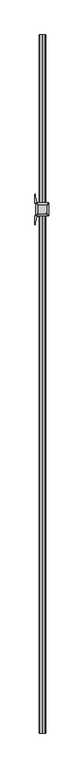
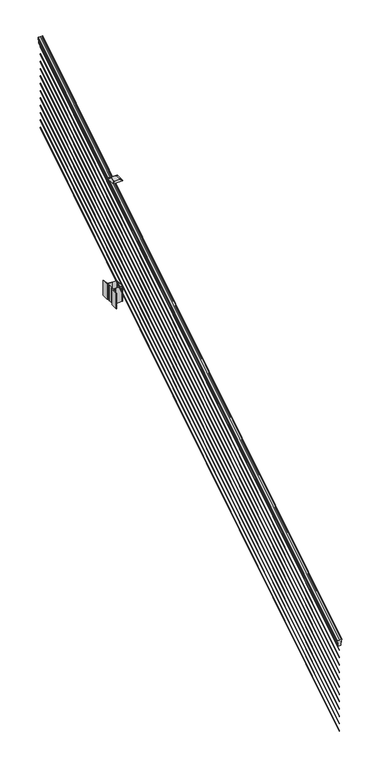
"""IFC4 building model written with IfcOpenShell, lengths in millimetres: railing geometry."""

from ifc_helpers import new_model, si_unit, point, frame, frame_2d, origin, place, context, project, spatial, polyline, circle_curve, ellipse_curve, trimmed, segment, composite_curve, outline, extrude, source, transform, mapped, element, save
from ifc_brep_helpers import plane_surface, cylinder_surface, revolved_surface, extruded_surface, advanced_brep


def railing_191800ac(model_context):
    return source(origin(), model_context, "Body", "SolidModel", [
        advanced_brep(
        [(6977.4704765, -103155.6628453, 1133.2070492), (6977.4704765, -103155.6628453, 1135.4335658), (6978.6006628, -103155.6628453, 1137.2758543), (6978.6006628, -103155.6628453, 1145.7876358), (6977.9514064, -103155.6628453, 1148.6572588), (6980.4514064, -103155.6628453, 1153.7635509), (6981.8607489, -103155.6628453, 1155.7442021), (6982.2626479, -103155.6628453, 1157.0469579), (6982.2626478, -103155.6628453, 1158.6274846), (6980.7092005, -103155.6628453, 1160.4593836), (6960.0376478, -103155.6628453, 1160.4593836), (6939.366095, -103155.6628453, 1160.4593836), (6937.8126478, -103155.6628453, 1158.6274846), (6937.8126478, -103155.6628453, 1157.0469579), (6938.2145467, -103155.6628453, 1155.7442021), (6939.6238891, -103155.6628453, 1153.7635509), (6942.1238891, -103155.6628453, 1148.6572588), (6941.4746327, -103155.6628453, 1145.7876358), (6941.4746327, -103155.6628453, 1137.2758543), (6942.604819, -103155.6628453, 1135.4335658), (6942.604819, -103155.6628453, 1133.2070492), (6945.1786478, -103155.6628453, 1133.2070492), (6945.1786478, -103155.6628453, 1120.825537), (6944.1626478, -103155.6628453, 1119.6274214), (6944.1626478, -103155.6628453, 1104.9), (6975.9126478, -103155.6628453, 1104.9), (6975.9126478, -103155.6628453, 1119.441318), (6974.8966478, -103155.6628453, 1120.6394336), (6974.8966478, -103155.6628453, 1133.2070492), (6977.4704765, -98278.8628453, 4181.2070492), (6974.8966478, -98278.8628453, 4181.2070492), (6974.8966478, -98278.8628453, 4168.6394336), (6975.9126478, -98278.8628453, 4167.441318), (6975.9126478, -98278.8628453, 4152.9), (6944.1626478, -98278.8628453, 4152.9), (6944.1626478, -98278.8628453, 4167.6274214), (6945.1786478, -98278.8628453, 4168.825537), (6945.1786478, -98278.8628453, 4181.2070492), (6942.604819, -98278.8628453, 4181.2070492), (6942.604819, -98278.8628453, 4183.4335658), (6941.4746327, -98278.8628453, 4185.2758543), (6941.4746327, -98278.8628453, 4193.7876358), (6942.1238891, -98278.8628453, 4196.6572588), (6939.6238891, -98278.8628453, 4201.7635509), (6938.2145467, -98278.8628453, 4203.7442021), (6937.8126477, -98278.8628453, 4205.0469579), (6937.8126478, -98278.8628453, 4206.6274846), (6939.366095, -98278.8628453, 4208.4593836), (6960.0376478, -98278.8628453, 4208.4593836), (6980.7092005, -98278.8628453, 4208.4593836), (6982.2626478, -98278.8628453, 4206.6274846), (6982.2626478, -98278.8628453, 4205.0469579), (6981.8607489, -98278.8628453, 4203.7442021), (6980.4514064, -98278.8628453, 4201.7635509), (6977.9514064, -98278.8628453, 4196.6572588), (6978.6006628, -98278.8628453, 4193.7876358), (6978.6006628, -98278.8628453, 4185.2758543), (6977.4704765, -98278.8628453, 4183.4335658)],
        [
            (0, 1),
            (1, 2, ellipse_curve(frame((6971.1557232, -103155.6628453, 1142.2239405), z_axis=(0.0, -1.0, 0.0), x_axis=(0.0, 0.0, -1.0)), 10.0777926, 8.545951)),
            (2, 3, ellipse_curve(frame((6971.5927862, -103155.6628453, 1141.5317451), z_axis=(0.0, -1.0, 0.0), x_axis=(0.0, 0.0, -1.0)), 9.2955186, 7.882584)),
            (3, 4, ellipse_curve(frame((6982.1061103, -103155.6628453, 1148.4275077), z_axis=(0.0, 1.0, 0.0), x_axis=(0.0, 0.0, 1.0)), 4.9048088, 4.1592695)),
            (4, 5, ellipse_curve(frame((6983.3934169, -103155.6628453, 1148.3563208), z_axis=(0.0, 1.0, 0.0), x_axis=(0.0, 0.0, 1.0)), 6.4245301, 5.4479907)),
            (5, 6, ellipse_curve(frame((6982.1602584, -103155.6628453, 1153.7602333), z_axis=(0.0, 1.0, 0.0), x_axis=(0.0, 0.0, 1.0)), 2.0151625, 1.7088543)),
            (6, 7, ellipse_curve(frame((6980.5433583, -103155.6628453, 1157.0469579), z_axis=(0.0, -1.0, 0.0), x_axis=(0.0, 0.0, -1.0)), 2.0274681, 1.7192895)),
            (7, 8),
            (8, 9, ellipse_curve(frame((6980.7092005, -103155.6628453, 1158.6274846), z_axis=(0.0, -1.0, 0.0), x_axis=(0.0, 0.0, -1.0)), 1.831899, 1.5534472)),
            (9, 10),
            (10, 11),
            (11, 12, ellipse_curve(frame((6939.366095, -103155.6628453, 1158.6274846), z_axis=(0.0, -1.0, 0.0), x_axis=(0.0, 0.0, -1.0)), 1.831899, 1.5534472)),
            (12, 13),
            (13, 14, ellipse_curve(frame((6939.5319372, -103155.6628453, 1157.0469579), z_axis=(0.0, -1.0, 0.0), x_axis=(0.0, 0.0, -1.0)), 2.0274681, 1.7192895)),
            (14, 15, ellipse_curve(frame((6937.9150371, -103155.6628453, 1153.7602333), z_axis=(0.0, 1.0, 0.0), x_axis=(0.0, 0.0, 1.0)), 2.0151625, 1.7088543)),
            (15, 16, ellipse_curve(frame((6936.6818787, -103155.6628453, 1148.3563208), z_axis=(0.0, 1.0, 0.0), x_axis=(0.0, 0.0, 1.0)), 6.4245301, 5.4479907)),
            (16, 17, ellipse_curve(frame((6937.9691852, -103155.6628453, 1148.4275077), z_axis=(0.0, 1.0, 0.0), x_axis=(0.0, 0.0, 1.0)), 4.9048088, 4.1592695)),
            (17, 18, ellipse_curve(frame((6948.4825093, -103155.6628453, 1141.5317451), z_axis=(0.0, -1.0, 0.0), x_axis=(0.0, 0.0, -1.0)), 9.2955186, 7.882584)),
            (18, 19, ellipse_curve(frame((6948.9195723, -103155.6628453, 1142.2239405), z_axis=(0.0, -1.0, 0.0), x_axis=(0.0, 0.0, -1.0)), 10.0777926, 8.545951)),
            (19, 20),
            (20, 21, ellipse_curve(frame((6943.8917334, -103155.6628453, 1133.2070492), z_axis=(0.0, -1.0, 0.0), x_axis=(0.0, 0.0, -1.0)), 1.5175907, 1.2869144)),
            (21, 22),
            (22, 23),
            (23, 24),
            (24, 25),
            (25, 26),
            (26, 27),
            (27, 28),
            (28, 0, ellipse_curve(frame((6976.1835621, -103155.6628453, 1133.2070492), z_axis=(0.0, -1.0, 0.0), x_axis=(0.0, 0.0, -1.0)), 1.5175907, 1.2869144)),
            (29, 30, ellipse_curve(frame((6976.1835621, -98278.8628453, 4181.2070492), z_axis=(0.0, 1.0, 0.0), x_axis=(0.0, 0.0, -1.0)), 1.5175907, 1.2869144)),
            (30, 31),
            (31, 32),
            (32, 33),
            (33, 34),
            (34, 35),
            (35, 36),
            (36, 37),
            (37, 38, ellipse_curve(frame((6943.8917334, -98278.8628453, 4181.2070492), z_axis=(0.0, 1.0, 0.0), x_axis=(0.0, 0.0, -1.0)), 1.5175907, 1.2869144)),
            (38, 39),
            (39, 40, ellipse_curve(frame((6948.9195723, -98278.8628453, 4190.2239405), z_axis=(0.0, 1.0, 0.0), x_axis=(0.0, 0.0, -1.0)), 10.0777926, 8.545951)),
            (40, 41, ellipse_curve(frame((6948.4825093, -98278.8628453, 4189.5317451), z_axis=(0.0, 1.0, 0.0), x_axis=(0.0, 0.0, -1.0)), 9.2955186, 7.882584)),
            (41, 42, ellipse_curve(frame((6937.9691852, -98278.8628453, 4196.4275077), z_axis=(0.0, -1.0, 0.0), x_axis=(0.0, 0.0, 1.0)), 4.9048088, 4.1592695)),
            (42, 43, ellipse_curve(frame((6936.6818787, -98278.8628453, 4196.3563208), z_axis=(0.0, -1.0, 0.0), x_axis=(0.0, 0.0, 1.0)), 6.4245301, 5.4479907)),
            (43, 44, ellipse_curve(frame((6937.9150371, -98278.8628453, 4201.7602333), z_axis=(0.0, -1.0, 0.0), x_axis=(0.0, 0.0, 1.0)), 2.0151625, 1.7088543)),
            (44, 45, ellipse_curve(frame((6939.5319372, -98278.8628453, 4205.0469579), z_axis=(0.0, 1.0, 0.0), x_axis=(0.0, 0.0, -1.0)), 2.0274681, 1.7192895)),
            (45, 46),
            (46, 47, ellipse_curve(frame((6939.366095, -98278.8628453, 4206.6274846), z_axis=(0.0, 1.0, 0.0), x_axis=(0.0, 0.0, -1.0)), 1.831899, 1.5534472)),
            (47, 48),
            (48, 49),
            (49, 50, ellipse_curve(frame((6980.7092005, -98278.8628453, 4206.6274846), z_axis=(0.0, 1.0, 0.0), x_axis=(0.0, 0.0, -1.0)), 1.831899, 1.5534472)),
            (50, 51),
            (51, 52, ellipse_curve(frame((6980.5433583, -98278.8628453, 4205.0469579), z_axis=(0.0, 1.0, 0.0), x_axis=(0.0, 0.0, -1.0)), 2.0274681, 1.7192895)),
            (52, 53, ellipse_curve(frame((6982.1602584, -98278.8628453, 4201.7602333), z_axis=(0.0, -1.0, 0.0), x_axis=(0.0, 0.0, 1.0)), 2.0151625, 1.7088543)),
            (53, 54, ellipse_curve(frame((6983.3934169, -98278.8628453, 4196.3563208), z_axis=(0.0, -1.0, 0.0), x_axis=(0.0, 0.0, 1.0)), 6.4245301, 5.4479907)),
            (54, 55, ellipse_curve(frame((6982.1061103, -98278.8628453, 4196.4275077), z_axis=(0.0, -1.0, 0.0), x_axis=(0.0, 0.0, 1.0)), 4.9048088, 4.1592695)),
            (55, 56, ellipse_curve(frame((6971.5927862, -98278.8628453, 4189.5317451), z_axis=(0.0, 1.0, 0.0), x_axis=(0.0, 0.0, -1.0)), 9.2955186, 7.882584)),
            (56, 57, ellipse_curve(frame((6971.1557232, -98278.8628453, 4190.2239405), z_axis=(0.0, 1.0, 0.0), x_axis=(0.0, 0.0, -1.0)), 10.0777926, 8.545951)),
            (57, 29),
            (28, 30),
            (29, 0),
            (27, 31),
            (26, 32),
            (25, 33),
            (24, 34),
            (23, 35),
            (22, 36),
            (21, 37),
            (20, 38),
            (19, 39),
            (18, 40),
            (17, 41),
            (16, 42),
            (15, 43),
            (14, 44),
            (13, 45),
            (12, 46),
            (11, 47),
            (10, 48),
            (9, 49),
            (8, 50),
            (7, 51),
            (6, 52),
            (5, 53),
            (4, 54),
            (3, 55),
            (2, 56),
            (1, 57),
        ],
        [
            plane_surface(frame((6960.0376478, -103155.6628453, 1104.9), z_axis=(0.0, -1.0, 0.0), x_axis=(0.0, 0.0, 1.0))),
            plane_surface(frame((6960.0376478, -98278.8628453, 4152.9), z_axis=(0.0, 1.0, 0.0), x_axis=(0.0, 0.0, 1.0))),
            cylinder_surface(frame((6976.1835621, -103168.3851146, 1125.2556309), z_axis=(0.0, -0.8479983040051253, -0.5299989400031204), x_axis=(-1.0, 0.0, 0.0)), 1.2869144),
            plane_surface(frame((6974.8966478, -103155.6628453, 1120.6394336), z_axis=(1.0000000000000002, 0.0, 0.0), x_axis=(0.0, 0.8479983040051253, 0.5299989400031204))),
            plane_surface(frame((6975.9126478, -103155.6628453, 1119.441318), z_axis=(0.7071067811865389, -0.374765844497894, 0.5996253511967226), x_axis=(0.0, 0.8479983040051253, 0.5299989400031204))),
            plane_surface(frame((6975.9126478, -103155.6628453, 1104.9), z_axis=(1.0, 0.0, 0.0), x_axis=(0.0, 0.8479983040051252, 0.5299989400031204))),
            plane_surface(frame((6944.1626478, -103155.6628453, 1104.9), z_axis=(0.0, 0.5299989400031204, -0.8479983040051252), x_axis=(0.0, 0.8479983040051252, 0.5299989400031204))),
            plane_surface(frame((6944.1626478, -103155.6628453, 1119.6274214), z_axis=(-1.0000000000000002, 0.0, 0.0), x_axis=(0.0, 0.8479983040051253, 0.5299989400031204))),
            plane_surface(frame((6945.1786478, -103155.6628453, 1120.825537), z_axis=(-0.7071067811865437, -0.37476584449788986, 0.5996253511967191), x_axis=(0.0, 0.8479983040051252, 0.5299989400031204))),
            plane_surface(frame((6945.1786478, -103155.6628453, 1133.2070492), z_axis=(-1.0, 0.0, 0.0), x_axis=(0.0, 0.8479983040051252, 0.5299989400031204))),
            cylinder_surface(frame((6943.8917334, -103168.3851146, 1125.2556309), z_axis=(0.0, -0.8479983040051253, -0.5299989400031204), x_axis=(1.0, 0.0, 0.0)), 1.2869144),
            plane_surface(frame((6942.604819, -103155.6628453, 1135.4335658), z_axis=(-1.0, 0.0, 0.0), x_axis=(0.0, 0.8479983040051252, 0.5299989400031204))),
            cylinder_surface(frame((6948.9195723, -103172.43765, 1131.7396876), z_axis=(0.0, -0.8479983040051253, -0.5299989400031204), x_axis=(1.0, 0.0, 0.0)), 8.545951),
            cylinder_surface(frame((6948.4825093, -103172.1265509, 1131.241929), z_axis=(0.0, -0.8479983040051253, -0.5299989400031204), x_axis=(1.0, 0.0, 0.0)), 7.882584),
            revolved_surface(polyline([(6942.1284547, -98276.65843685035, 4197.805262980558), (6942.1284547, -103157.86725374944, 1147.0497524191019)]), (6937.9691852, -103175.2257701, 1136.2006797), (0.0, 0.8479983040051253, 0.5299989400031204)),
            revolved_surface(polyline([(6942.129869400001, -98275.97541603574, 4198.160964077185), (6942.129869400001, -103158.5502745528, 1146.551677504493)]), (6936.6818787, -103175.193776, 1136.1494891), (0.0, 0.8479983040051253, 0.5299989400031204)),
            revolved_surface(polyline([(6939.6238914, -98277.95715429979, 4202.326290199658), (6939.6238914, -103156.56853632248, 1153.1941764359544)]), (6937.9150371, -103177.6225007, 1140.0354487), (0.0, 0.8479983040051253, 0.5299989400031204)),
            cylinder_surface(frame((6939.5319372, -103179.0996803, 1142.398936), z_axis=(0.0, -0.8479983040051253, -0.5299989400031204), x_axis=(1.0, 0.0, 0.0)), 1.7192895),
            plane_surface(frame((6937.8126478, -103155.6628453, 1158.6274846), z_axis=(-1.0, 0.0, 0.0), x_axis=(0.0, 0.8479983040051252, 0.5299989400031204))),
            cylinder_surface(frame((6939.366095, -103179.8100294, 1143.5354945), z_axis=(0.0, -0.8479983040051253, -0.5299989400031204), x_axis=(1.0, 0.0, 0.0)), 1.5534472),
            plane_surface(frame((6960.0376478, -103155.6628453, 1160.4593836), z_axis=(0.0, -0.5299989400031204, 0.8479983040051252), x_axis=(0.0, 0.8479983040051252, 0.5299989400031204))),
            plane_surface(frame((6980.7092005, -103155.6628453, 1160.4593836), z_axis=(0.0, -0.5299989400031204, 0.8479983040051252), x_axis=(0.0, 0.8479983040051252, 0.5299989400031204))),
            cylinder_surface(frame((6980.7092005, -103179.8100294, 1143.5354945), z_axis=(0.0, -0.8479983040051253, -0.5299989400031204), x_axis=(-1.0, 0.0, 0.0)), 1.5534472),
            plane_surface(frame((6982.2626478, -103155.6628453, 1157.0469579), z_axis=(1.0000000000000002, 0.0, 0.0), x_axis=(0.0, 0.8479983040051253, 0.5299989400031204))),
            cylinder_surface(frame((6980.5433583, -103179.0996803, 1142.398936), z_axis=(0.0, -0.8479983040051253, -0.5299989400031204), x_axis=(-1.0, 0.0, 0.0)), 1.7192895),
            revolved_surface(polyline([(6980.4514041, -98277.95715429979, 4202.326290199658), (6980.4514041, -103156.56853632248, 1153.1941764359544)]), (6982.1602584, -103177.6225007, 1140.0354487), (0.0, 0.8479983040051253, 0.5299989400031204)),
            revolved_surface(polyline([(6977.9454262, -98275.97541603574, 4198.160964077185), (6977.9454262, -103158.5502745528, 1146.551677504493)]), (6983.3934169, -103175.193776, 1136.1494891), (0.0, 0.8479983040051253, 0.5299989400031204)),
            revolved_surface(polyline([(6977.9468408, -98276.65843685035, 4197.805262980558), (6977.9468408, -103157.86725374944, 1147.0497524191019)]), (6982.1061103, -103175.2257701, 1136.2006797), (0.0, 0.8479983040051253, 0.5299989400031204)),
            cylinder_surface(frame((6971.5927862, -103172.1265509, 1131.241929), z_axis=(0.0, -0.8479983040051253, -0.5299989400031204), x_axis=(-1.0, 0.0, 0.0)), 7.882584),
            cylinder_surface(frame((6971.1557232, -103172.43765, 1131.7396876), z_axis=(0.0, -0.8479983040051253, -0.5299989400031204), x_axis=(-1.0, 0.0, 0.0)), 8.545951),
            plane_surface(frame((6977.4704765, -103155.6628453, 1133.2070492), z_axis=(1.0, 0.0, 0.0), x_axis=(0.0, 0.8479983040051252, 0.5299989400031204))),
        ],
        [
            (0, [[1, 2, 3, 4, 5, 6, 7, 8, 9, 10, 11, 12, 13, 14, 15, 16, 17, 18, 19, 20, 21, 22, 23, 24, 25, 26, 27, 28, 29]]),
            (1, [[30, 31, 32, 33, 34, 35, 36, 37, 38, 39, 40, 41, 42, 43, 44, 45, 46, 47, 48, 49, 50, 51, 52, 53, 54, 55, 56, 57, 58]]),
            (2, [[-29, 59, -30, 60]]),
            (3, [[-28, 61, -31, -59]]),
            (4, [[-27, 62, -32, -61]]),
            (5, [[-26, 63, -33, -62]]),
            (6, [[-25, 64, -34, -63]]),
            (7, [[-24, 65, -35, -64]]),
            (8, [[-23, 66, -36, -65]]),
            (9, [[-22, 67, -37, -66]]),
            (10, [[-21, 68, -38, -67]]),
            (11, [[-20, 69, -39, -68]]),
            (12, [[-19, 70, -40, -69]]),
            (13, [[-18, 71, -41, -70]]),
            (14, [[-17, 72, -42, -71]]),
            (15, [[-16, 73, -43, -72]]),
            (16, [[-15, 74, -44, -73]]),
            (17, [[-14, 75, -45, -74]]),
            (18, [[-13, 76, -46, -75]]),
            (19, [[-12, 77, -47, -76]]),
            (20, [[-11, 78, -48, -77]]),
            (21, [[-10, 79, -49, -78]]),
            (22, [[-9, 80, -50, -79]]),
            (23, [[-8, 81, -51, -80]]),
            (24, [[-7, 82, -52, -81]]),
            (25, [[-6, 83, -53, -82]]),
            (26, [[-5, 84, -54, -83]]),
            (27, [[-4, 85, -55, -84]]),
            (28, [[-3, 86, -56, -85]]),
            (29, [[-2, 87, -57, -86]]),
            (30, [[-1, -60, -58, -87]]),
        ],
    ),
        advanced_brep(
        [(6958.4501478, -103155.6628453, 255.524), (6960.0376478, -103155.6628453, 253.6519444), (6961.6251478, -103155.6628453, 255.524), (6960.0376478, -103155.6628453, 257.3960556), (6958.4501478, -98278.8628453, 3303.524), (6960.0376478, -98278.8628453, 3305.3960556), (6961.6251478, -98278.8628453, 3303.524), (6960.0376478, -98278.8628453, 3301.6519444)],
        [
            (0, 1, ellipse_curve(frame((6960.0376478, -103155.6628453, 255.524), z_axis=(0.0, -1.0, 0.0), x_axis=(0.0, 0.0, -1.0)), 1.8720556, 1.5875)),
            (1, 2, ellipse_curve(frame((6960.0376478, -103155.6628453, 255.524), z_axis=(0.0, -1.0, 0.0), x_axis=(0.0, 0.0, -1.0)), 1.8720556, 1.5875)),
            (2, 3, ellipse_curve(frame((6960.0376478, -103155.6628453, 255.524), z_axis=(0.0, -1.0, 0.0), x_axis=(0.0, 0.0, -1.0)), 1.8720556, 1.5875)),
            (3, 0, ellipse_curve(frame((6960.0376478, -103155.6628453, 255.524), z_axis=(0.0, -1.0, 0.0), x_axis=(0.0, 0.0, -1.0)), 1.8720556, 1.5875)),
            (4, 5, ellipse_curve(frame((6960.0376478, -98278.8628453, 3303.524), z_axis=(0.0, 1.0, 0.0), x_axis=(0.0, 0.0, -1.0)), 1.8720556, 1.5875)),
            (5, 6, ellipse_curve(frame((6960.0376478, -98278.8628453, 3303.524), z_axis=(0.0, 1.0, 0.0), x_axis=(0.0, 0.0, -1.0)), 1.8720556, 1.5875)),
            (6, 7, ellipse_curve(frame((6960.0376478, -98278.8628453, 3303.524), z_axis=(0.0, 1.0, 0.0), x_axis=(0.0, 0.0, -1.0)), 1.8720556, 1.5875)),
            (7, 4, ellipse_curve(frame((6960.0376478, -98278.8628453, 3303.524), z_axis=(0.0, 1.0, 0.0), x_axis=(0.0, 0.0, -1.0)), 1.8720556, 1.5875)),
            (3, 5),
            (4, 0),
            (2, 6),
            (1, 7),
        ],
        [
            plane_surface(frame((6960.0376478, -103155.6628453, 255.524), z_axis=(0.0, -1.0, 0.0), x_axis=(0.0, 0.0, 1.0))),
            plane_surface(frame((6960.0376478, -98278.8628453, 3303.524), z_axis=(0.0, 1.0, 0.0), x_axis=(0.0, 0.0, 1.0))),
            cylinder_surface(frame((6960.0376478, -103155.6628453, 255.524), z_axis=(0.0, -0.8479983040051253, -0.5299989400031204), x_axis=(-1.0, 0.0, 0.0)), 1.5875),
        ],
        [
            (0, [[1, 2, 3, 4]]),
            (1, [[5, 6, 7, 8]]),
            (2, [[-4, 9, -5, 10]]),
            (2, [[-3, 11, -6, -9]]),
            (2, [[-2, 12, -7, -11]]),
            (2, [[-1, -10, -8, -12]]),
        ],
    ),
        advanced_brep(
        [(6958.4501478, -103155.6628453, 328.676), (6960.0376478, -103155.6628453, 326.8039444), (6961.6251478, -103155.6628453, 328.676), (6960.0376478, -103155.6628453, 330.5480556), (6958.4501478, -98278.8628453, 3376.676), (6960.0376478, -98278.8628453, 3378.5480556), (6961.6251478, -98278.8628453, 3376.676), (6960.0376478, -98278.8628453, 3374.8039444)],
        [
            (0, 1, ellipse_curve(frame((6960.0376478, -103155.6628453, 328.676), z_axis=(0.0, -1.0, 0.0), x_axis=(0.0, 0.0, -1.0)), 1.8720556, 1.5875)),
            (1, 2, ellipse_curve(frame((6960.0376478, -103155.6628453, 328.676), z_axis=(0.0, -1.0, 0.0), x_axis=(0.0, 0.0, -1.0)), 1.8720556, 1.5875)),
            (2, 3, ellipse_curve(frame((6960.0376478, -103155.6628453, 328.676), z_axis=(0.0, -1.0, 0.0), x_axis=(0.0, 0.0, -1.0)), 1.8720556, 1.5875)),
            (3, 0, ellipse_curve(frame((6960.0376478, -103155.6628453, 328.676), z_axis=(0.0, -1.0, 0.0), x_axis=(0.0, 0.0, -1.0)), 1.8720556, 1.5875)),
            (4, 5, ellipse_curve(frame((6960.0376478, -98278.8628453, 3376.676), z_axis=(0.0, 1.0, 0.0), x_axis=(0.0, 0.0, -1.0)), 1.8720556, 1.5875)),
            (5, 6, ellipse_curve(frame((6960.0376478, -98278.8628453, 3376.676), z_axis=(0.0, 1.0, 0.0), x_axis=(0.0, 0.0, -1.0)), 1.8720556, 1.5875)),
            (6, 7, ellipse_curve(frame((6960.0376478, -98278.8628453, 3376.676), z_axis=(0.0, 1.0, 0.0), x_axis=(0.0, 0.0, -1.0)), 1.8720556, 1.5875)),
            (7, 4, ellipse_curve(frame((6960.0376478, -98278.8628453, 3376.676), z_axis=(0.0, 1.0, 0.0), x_axis=(0.0, 0.0, -1.0)), 1.8720556, 1.5875)),
            (0, 4),
            (7, 1),
            (6, 2),
            (5, 3),
        ],
        [
            plane_surface(frame((6960.0376478, -103155.6628453, 328.676), z_axis=(0.0, -1.0, 0.0), x_axis=(0.0, 0.0, 1.0))),
            plane_surface(frame((6960.0376478, -98278.8628453, 3376.676), z_axis=(0.0, 1.0, 0.0), x_axis=(0.0, 0.0, 1.0))),
            cylinder_surface(frame((6960.0376478, -103155.6628453, 328.676), z_axis=(0.0, -0.8479983040051253, -0.5299989400031204), x_axis=(-1.0, 0.0, 0.0)), 1.5875),
        ],
        [
            (0, [[1, 2, 3, 4]]),
            (1, [[5, 6, 7, 8]]),
            (2, [[-1, 9, -8, 10]]),
            (2, [[-2, -10, -7, 11]]),
            (2, [[-3, -11, -6, 12]]),
            (2, [[-4, -12, -5, -9]]),
        ],
    ),
        advanced_brep(
        [(6958.4501478, -103155.6628453, 401.574), (6960.0376478, -103155.6628453, 399.7019444), (6961.6251478, -103155.6628453, 401.574), (6960.0376478, -103155.6628453, 403.4460556), (6958.4501478, -98278.8628453, 3449.574), (6960.0376478, -98278.8628453, 3451.4460556), (6961.6251478, -98278.8628453, 3449.574), (6960.0376478, -98278.8628453, 3447.7019444)],
        [
            (0, 1, ellipse_curve(frame((6960.0376478, -103155.6628453, 401.574), z_axis=(0.0, -1.0, 0.0), x_axis=(0.0, 0.0, -1.0)), 1.8720556, 1.5875)),
            (1, 2, ellipse_curve(frame((6960.0376478, -103155.6628453, 401.574), z_axis=(0.0, -1.0, 0.0), x_axis=(0.0, 0.0, -1.0)), 1.8720556, 1.5875)),
            (2, 3, ellipse_curve(frame((6960.0376478, -103155.6628453, 401.574), z_axis=(0.0, -1.0, 0.0), x_axis=(0.0, 0.0, -1.0)), 1.8720556, 1.5875)),
            (3, 0, ellipse_curve(frame((6960.0376478, -103155.6628453, 401.574), z_axis=(0.0, -1.0, 0.0), x_axis=(0.0, 0.0, -1.0)), 1.8720556, 1.5875)),
            (4, 5, ellipse_curve(frame((6960.0376478, -98278.8628453, 3449.574), z_axis=(0.0, 1.0, 0.0), x_axis=(0.0, 0.0, -1.0)), 1.8720556, 1.5875)),
            (5, 6, ellipse_curve(frame((6960.0376478, -98278.8628453, 3449.574), z_axis=(0.0, 1.0, 0.0), x_axis=(0.0, 0.0, -1.0)), 1.8720556, 1.5875)),
            (6, 7, ellipse_curve(frame((6960.0376478, -98278.8628453, 3449.574), z_axis=(0.0, 1.0, 0.0), x_axis=(0.0, 0.0, -1.0)), 1.8720556, 1.5875)),
            (7, 4, ellipse_curve(frame((6960.0376478, -98278.8628453, 3449.574), z_axis=(0.0, 1.0, 0.0), x_axis=(0.0, 0.0, -1.0)), 1.8720556, 1.5875)),
            (0, 4),
            (7, 1),
            (6, 2),
            (5, 3),
        ],
        [
            plane_surface(frame((6960.0376478, -103155.6628453, 401.574), z_axis=(0.0, -1.0, 0.0), x_axis=(0.0, 0.0, 1.0))),
            plane_surface(frame((6960.0376478, -98278.8628453, 3449.574), z_axis=(0.0, 1.0, 0.0), x_axis=(0.0, 0.0, 1.0))),
            cylinder_surface(frame((6960.0376478, -103155.6628453, 401.574), z_axis=(0.0, -0.8479983040051253, -0.5299989400031204), x_axis=(-1.0, 0.0, 0.0)), 1.5875),
        ],
        [
            (0, [[1, 2, 3, 4]]),
            (1, [[5, 6, 7, 8]]),
            (2, [[-1, 9, -8, 10]]),
            (2, [[-2, -10, -7, 11]]),
            (2, [[-3, -11, -6, 12]]),
            (2, [[-4, -12, -5, -9]]),
        ],
    ),
        advanced_brep(
        [(6958.4501478, -103155.6628453, 474.726), (6960.0376478, -103155.6628453, 472.8539444), (6961.6251478, -103155.6628453, 474.726), (6960.0376478, -103155.6628453, 476.5980556), (6958.4501478, -98278.8628453, 3522.726), (6960.0376478, -98278.8628453, 3524.5980556), (6961.6251478, -98278.8628453, 3522.726), (6960.0376478, -98278.8628453, 3520.8539444)],
        [
            (0, 1, ellipse_curve(frame((6960.0376478, -103155.6628453, 474.726), z_axis=(0.0, -1.0, 0.0), x_axis=(0.0, 0.0, -1.0)), 1.8720556, 1.5875)),
            (1, 2, ellipse_curve(frame((6960.0376478, -103155.6628453, 474.726), z_axis=(0.0, -1.0, 0.0), x_axis=(0.0, 0.0, -1.0)), 1.8720556, 1.5875)),
            (2, 3, ellipse_curve(frame((6960.0376478, -103155.6628453, 474.726), z_axis=(0.0, -1.0, 0.0), x_axis=(0.0, 0.0, -1.0)), 1.8720556, 1.5875)),
            (3, 0, ellipse_curve(frame((6960.0376478, -103155.6628453, 474.726), z_axis=(0.0, -1.0, 0.0), x_axis=(0.0, 0.0, -1.0)), 1.8720556, 1.5875)),
            (4, 5, ellipse_curve(frame((6960.0376478, -98278.8628453, 3522.726), z_axis=(0.0, 1.0, 0.0), x_axis=(0.0, 0.0, -1.0)), 1.8720556, 1.5875)),
            (5, 6, ellipse_curve(frame((6960.0376478, -98278.8628453, 3522.726), z_axis=(0.0, 1.0, 0.0), x_axis=(0.0, 0.0, -1.0)), 1.8720556, 1.5875)),
            (6, 7, ellipse_curve(frame((6960.0376478, -98278.8628453, 3522.726), z_axis=(0.0, 1.0, 0.0), x_axis=(0.0, 0.0, -1.0)), 1.8720556, 1.5875)),
            (7, 4, ellipse_curve(frame((6960.0376478, -98278.8628453, 3522.726), z_axis=(0.0, 1.0, 0.0), x_axis=(0.0, 0.0, -1.0)), 1.8720556, 1.5875)),
            (0, 4),
            (7, 1),
            (6, 2),
            (5, 3),
        ],
        [
            plane_surface(frame((6960.0376478, -103155.6628453, 474.726), z_axis=(0.0, -1.0, 0.0), x_axis=(0.0, 0.0, 1.0))),
            plane_surface(frame((6960.0376478, -98278.8628453, 3522.726), z_axis=(0.0, 1.0, 0.0), x_axis=(0.0, 0.0, 1.0))),
            cylinder_surface(frame((6960.0376478, -103155.6628453, 474.726), z_axis=(0.0, -0.8479983040051253, -0.5299989400031204), x_axis=(-1.0, 0.0, 0.0)), 1.5875),
        ],
        [
            (0, [[1, 2, 3, 4]]),
            (1, [[5, 6, 7, 8]]),
            (2, [[-1, 9, -8, 10]]),
            (2, [[-2, -10, -7, 11]]),
            (2, [[-3, -11, -6, 12]]),
            (2, [[-4, -12, -5, -9]]),
        ],
    ),
        advanced_brep(
        [(6958.4501478, -103155.6628453, 547.624), (6960.0376478, -103155.6628453, 545.7519444), (6961.6251478, -103155.6628453, 547.624), (6960.0376478, -103155.6628453, 549.4960556), (6958.4501478, -98278.8628453, 3595.624), (6960.0376478, -98278.8628453, 3597.4960556), (6961.6251478, -98278.8628453, 3595.624), (6960.0376478, -98278.8628453, 3593.7519444)],
        [
            (0, 1, ellipse_curve(frame((6960.0376478, -103155.6628453, 547.624), z_axis=(0.0, -1.0, 0.0), x_axis=(0.0, 0.0, -1.0)), 1.8720556, 1.5875)),
            (1, 2, ellipse_curve(frame((6960.0376478, -103155.6628453, 547.624), z_axis=(0.0, -1.0, 0.0), x_axis=(0.0, 0.0, -1.0)), 1.8720556, 1.5875)),
            (2, 3, ellipse_curve(frame((6960.0376478, -103155.6628453, 547.624), z_axis=(0.0, -1.0, 0.0), x_axis=(0.0, 0.0, -1.0)), 1.8720556, 1.5875)),
            (3, 0, ellipse_curve(frame((6960.0376478, -103155.6628453, 547.624), z_axis=(0.0, -1.0, 0.0), x_axis=(0.0, 0.0, -1.0)), 1.8720556, 1.5875)),
            (4, 5, ellipse_curve(frame((6960.0376478, -98278.8628453, 3595.624), z_axis=(0.0, 1.0, 0.0), x_axis=(0.0, 0.0, -1.0)), 1.8720556, 1.5875)),
            (5, 6, ellipse_curve(frame((6960.0376478, -98278.8628453, 3595.624), z_axis=(0.0, 1.0, 0.0), x_axis=(0.0, 0.0, -1.0)), 1.8720556, 1.5875)),
            (6, 7, ellipse_curve(frame((6960.0376478, -98278.8628453, 3595.624), z_axis=(0.0, 1.0, 0.0), x_axis=(0.0, 0.0, -1.0)), 1.8720556, 1.5875)),
            (7, 4, ellipse_curve(frame((6960.0376478, -98278.8628453, 3595.624), z_axis=(0.0, 1.0, 0.0), x_axis=(0.0, 0.0, -1.0)), 1.8720556, 1.5875)),
            (0, 4),
            (7, 1),
            (6, 2),
            (5, 3),
        ],
        [
            plane_surface(frame((6960.0376478, -103155.6628453, 547.624), z_axis=(0.0, -1.0, 0.0), x_axis=(0.0, 0.0, 1.0))),
            plane_surface(frame((6960.0376478, -98278.8628453, 3595.624), z_axis=(0.0, 1.0, 0.0), x_axis=(0.0, 0.0, 1.0))),
            cylinder_surface(frame((6960.0376478, -103155.6628453, 547.624), z_axis=(0.0, -0.8479983040051253, -0.5299989400031204), x_axis=(-1.0, 0.0, 0.0)), 1.5875),
        ],
        [
            (0, [[1, 2, 3, 4]]),
            (1, [[5, 6, 7, 8]]),
            (2, [[-1, 9, -8, 10]]),
            (2, [[-2, -10, -7, 11]]),
            (2, [[-3, -11, -6, 12]]),
            (2, [[-4, -12, -5, -9]]),
        ],
    ),
        advanced_brep(
        [(6958.4501478, -103155.6628453, 620.776), (6960.0376478, -103155.6628453, 618.9039444), (6961.6251478, -103155.6628453, 620.776), (6960.0376478, -103155.6628453, 622.6480556), (6958.4501478, -98278.8628453, 3668.776), (6960.0376478, -98278.8628453, 3670.6480556), (6961.6251478, -98278.8628453, 3668.776), (6960.0376478, -98278.8628453, 3666.9039444)],
        [
            (0, 1, ellipse_curve(frame((6960.0376478, -103155.6628453, 620.776), z_axis=(0.0, -1.0, 0.0), x_axis=(0.0, 0.0, -1.0)), 1.8720556, 1.5875)),
            (1, 2, ellipse_curve(frame((6960.0376478, -103155.6628453, 620.776), z_axis=(0.0, -1.0, 0.0), x_axis=(0.0, 0.0, -1.0)), 1.8720556, 1.5875)),
            (2, 3, ellipse_curve(frame((6960.0376478, -103155.6628453, 620.776), z_axis=(0.0, -1.0, 0.0), x_axis=(0.0, 0.0, -1.0)), 1.8720556, 1.5875)),
            (3, 0, ellipse_curve(frame((6960.0376478, -103155.6628453, 620.776), z_axis=(0.0, -1.0, 0.0), x_axis=(0.0, 0.0, -1.0)), 1.8720556, 1.5875)),
            (4, 5, ellipse_curve(frame((6960.0376478, -98278.8628453, 3668.776), z_axis=(0.0, 1.0, 0.0), x_axis=(0.0, 0.0, -1.0)), 1.8720556, 1.5875)),
            (5, 6, ellipse_curve(frame((6960.0376478, -98278.8628453, 3668.776), z_axis=(0.0, 1.0, 0.0), x_axis=(0.0, 0.0, -1.0)), 1.8720556, 1.5875)),
            (6, 7, ellipse_curve(frame((6960.0376478, -98278.8628453, 3668.776), z_axis=(0.0, 1.0, 0.0), x_axis=(0.0, 0.0, -1.0)), 1.8720556, 1.5875)),
            (7, 4, ellipse_curve(frame((6960.0376478, -98278.8628453, 3668.776), z_axis=(0.0, 1.0, 0.0), x_axis=(0.0, 0.0, -1.0)), 1.8720556, 1.5875)),
            (0, 4),
            (7, 1),
            (6, 2),
            (5, 3),
        ],
        [
            plane_surface(frame((6960.0376478, -103155.6628453, 620.776), z_axis=(0.0, -1.0, 0.0), x_axis=(0.0, 0.0, 1.0))),
            plane_surface(frame((6960.0376478, -98278.8628453, 3668.776), z_axis=(0.0, 1.0, 0.0), x_axis=(0.0, 0.0, 1.0))),
            cylinder_surface(frame((6960.0376478, -103155.6628453, 620.776), z_axis=(0.0, -0.8479983040051253, -0.5299989400031204), x_axis=(-1.0, 0.0, 0.0)), 1.5875),
        ],
        [
            (0, [[1, 2, 3, 4]]),
            (1, [[5, 6, 7, 8]]),
            (2, [[-1, 9, -8, 10]]),
            (2, [[-2, -10, -7, 11]]),
            (2, [[-3, -11, -6, 12]]),
            (2, [[-4, -12, -5, -9]]),
        ],
    ),
        advanced_brep(
        [(6958.4501478, -103155.6628453, 693.674), (6960.0376478, -103155.6628453, 691.8019444), (6961.6251478, -103155.6628453, 693.674), (6960.0376478, -103155.6628453, 695.5460556), (6958.4501478, -98278.8628453, 3741.674), (6960.0376478, -98278.8628453, 3743.5460556), (6961.6251478, -98278.8628453, 3741.674), (6960.0376478, -98278.8628453, 3739.8019444)],
        [
            (0, 1, ellipse_curve(frame((6960.0376478, -103155.6628453, 693.674), z_axis=(0.0, -1.0, 0.0), x_axis=(0.0, 0.0, -1.0)), 1.8720556, 1.5875)),
            (1, 2, ellipse_curve(frame((6960.0376478, -103155.6628453, 693.674), z_axis=(0.0, -1.0, 0.0), x_axis=(0.0, 0.0, -1.0)), 1.8720556, 1.5875)),
            (2, 3, ellipse_curve(frame((6960.0376478, -103155.6628453, 693.674), z_axis=(0.0, -1.0, 0.0), x_axis=(0.0, 0.0, -1.0)), 1.8720556, 1.5875)),
            (3, 0, ellipse_curve(frame((6960.0376478, -103155.6628453, 693.674), z_axis=(0.0, -1.0, 0.0), x_axis=(0.0, 0.0, -1.0)), 1.8720556, 1.5875)),
            (4, 5, ellipse_curve(frame((6960.0376478, -98278.8628453, 3741.674), z_axis=(0.0, 1.0, 0.0), x_axis=(0.0, 0.0, -1.0)), 1.8720556, 1.5875)),
            (5, 6, ellipse_curve(frame((6960.0376478, -98278.8628453, 3741.674), z_axis=(0.0, 1.0, 0.0), x_axis=(0.0, 0.0, -1.0)), 1.8720556, 1.5875)),
            (6, 7, ellipse_curve(frame((6960.0376478, -98278.8628453, 3741.674), z_axis=(0.0, 1.0, 0.0), x_axis=(0.0, 0.0, -1.0)), 1.8720556, 1.5875)),
            (7, 4, ellipse_curve(frame((6960.0376478, -98278.8628453, 3741.674), z_axis=(0.0, 1.0, 0.0), x_axis=(0.0, 0.0, -1.0)), 1.8720556, 1.5875)),
            (0, 4),
            (7, 1),
            (6, 2),
            (5, 3),
        ],
        [
            plane_surface(frame((6960.0376478, -103155.6628453, 693.674), z_axis=(0.0, -1.0, 0.0), x_axis=(0.0, 0.0, 1.0))),
            plane_surface(frame((6960.0376478, -98278.8628453, 3741.674), z_axis=(0.0, 1.0, 0.0), x_axis=(0.0, 0.0, 1.0))),
            cylinder_surface(frame((6960.0376478, -103155.6628453, 693.674), z_axis=(0.0, -0.8479983040051253, -0.5299989400031204), x_axis=(-1.0, 0.0, 0.0)), 1.5875),
        ],
        [
            (0, [[1, 2, 3, 4]]),
            (1, [[5, 6, 7, 8]]),
            (2, [[-1, 9, -8, 10]]),
            (2, [[-2, -10, -7, 11]]),
            (2, [[-3, -11, -6, 12]]),
            (2, [[-4, -12, -5, -9]]),
        ],
    ),
        advanced_brep(
        [(6958.4501478, -103155.6628453, 766.826), (6960.0376478, -103155.6628453, 764.9539444), (6961.6251478, -103155.6628453, 766.826), (6960.0376478, -103155.6628453, 768.6980556), (6958.4501478, -98278.8628453, 3814.826), (6960.0376478, -98278.8628453, 3816.6980556), (6961.6251478, -98278.8628453, 3814.826), (6960.0376478, -98278.8628453, 3812.9539444)],
        [
            (0, 1, ellipse_curve(frame((6960.0376478, -103155.6628453, 766.826), z_axis=(0.0, -1.0, 0.0), x_axis=(0.0, 0.0, -1.0)), 1.8720556, 1.5875)),
            (1, 2, ellipse_curve(frame((6960.0376478, -103155.6628453, 766.826), z_axis=(0.0, -1.0, 0.0), x_axis=(0.0, 0.0, -1.0)), 1.8720556, 1.5875)),
            (2, 3, ellipse_curve(frame((6960.0376478, -103155.6628453, 766.826), z_axis=(0.0, -1.0, 0.0), x_axis=(0.0, 0.0, -1.0)), 1.8720556, 1.5875)),
            (3, 0, ellipse_curve(frame((6960.0376478, -103155.6628453, 766.826), z_axis=(0.0, -1.0, 0.0), x_axis=(0.0, 0.0, -1.0)), 1.8720556, 1.5875)),
            (4, 5, ellipse_curve(frame((6960.0376478, -98278.8628453, 3814.826), z_axis=(0.0, 1.0, 0.0), x_axis=(0.0, 0.0, -1.0)), 1.8720556, 1.5875)),
            (5, 6, ellipse_curve(frame((6960.0376478, -98278.8628453, 3814.826), z_axis=(0.0, 1.0, 0.0), x_axis=(0.0, 0.0, -1.0)), 1.8720556, 1.5875)),
            (6, 7, ellipse_curve(frame((6960.0376478, -98278.8628453, 3814.826), z_axis=(0.0, 1.0, 0.0), x_axis=(0.0, 0.0, -1.0)), 1.8720556, 1.5875)),
            (7, 4, ellipse_curve(frame((6960.0376478, -98278.8628453, 3814.826), z_axis=(0.0, 1.0, 0.0), x_axis=(0.0, 0.0, -1.0)), 1.8720556, 1.5875)),
            (0, 4),
            (7, 1),
            (6, 2),
            (5, 3),
        ],
        [
            plane_surface(frame((6960.0376478, -103155.6628453, 766.826), z_axis=(0.0, -1.0, 0.0), x_axis=(0.0, 0.0, 1.0))),
            plane_surface(frame((6960.0376478, -98278.8628453, 3814.826), z_axis=(0.0, 1.0, 0.0), x_axis=(0.0, 0.0, 1.0))),
            cylinder_surface(frame((6960.0376478, -103155.6628453, 766.826), z_axis=(0.0, -0.8479983040051253, -0.5299989400031204), x_axis=(-1.0, 0.0, 0.0)), 1.5875),
        ],
        [
            (0, [[1, 2, 3, 4]]),
            (1, [[5, 6, 7, 8]]),
            (2, [[-1, 9, -8, 10]]),
            (2, [[-2, -10, -7, 11]]),
            (2, [[-3, -11, -6, 12]]),
            (2, [[-4, -12, -5, -9]]),
        ],
    ),
        advanced_brep(
        [(6958.4501478, -103155.6628453, 839.724), (6960.0376478, -103155.6628453, 837.8519444), (6961.6251478, -103155.6628453, 839.724), (6960.0376478, -103155.6628453, 841.5960556), (6958.4501478, -98278.8628453, 3887.724), (6960.0376478, -98278.8628453, 3889.5960556), (6961.6251478, -98278.8628453, 3887.724), (6960.0376478, -98278.8628453, 3885.8519444)],
        [
            (0, 1, ellipse_curve(frame((6960.0376478, -103155.6628453, 839.724), z_axis=(0.0, -1.0, 0.0), x_axis=(0.0, 0.0, -1.0)), 1.8720556, 1.5875)),
            (1, 2, ellipse_curve(frame((6960.0376478, -103155.6628453, 839.724), z_axis=(0.0, -1.0, 0.0), x_axis=(0.0, 0.0, -1.0)), 1.8720556, 1.5875)),
            (2, 3, ellipse_curve(frame((6960.0376478, -103155.6628453, 839.724), z_axis=(0.0, -1.0, 0.0), x_axis=(0.0, 0.0, -1.0)), 1.8720556, 1.5875)),
            (3, 0, ellipse_curve(frame((6960.0376478, -103155.6628453, 839.724), z_axis=(0.0, -1.0, 0.0), x_axis=(0.0, 0.0, -1.0)), 1.8720556, 1.5875)),
            (4, 5, ellipse_curve(frame((6960.0376478, -98278.8628453, 3887.724), z_axis=(0.0, 1.0, 0.0), x_axis=(0.0, 0.0, -1.0)), 1.8720556, 1.5875)),
            (5, 6, ellipse_curve(frame((6960.0376478, -98278.8628453, 3887.724), z_axis=(0.0, 1.0, 0.0), x_axis=(0.0, 0.0, -1.0)), 1.8720556, 1.5875)),
            (6, 7, ellipse_curve(frame((6960.0376478, -98278.8628453, 3887.724), z_axis=(0.0, 1.0, 0.0), x_axis=(0.0, 0.0, -1.0)), 1.8720556, 1.5875)),
            (7, 4, ellipse_curve(frame((6960.0376478, -98278.8628453, 3887.724), z_axis=(0.0, 1.0, 0.0), x_axis=(0.0, 0.0, -1.0)), 1.8720556, 1.5875)),
            (0, 4),
            (7, 1),
            (6, 2),
            (5, 3),
        ],
        [
            plane_surface(frame((6960.0376478, -103155.6628453, 839.724), z_axis=(0.0, -1.0, 0.0), x_axis=(0.0, 0.0, 1.0))),
            plane_surface(frame((6960.0376478, -98278.8628453, 3887.724), z_axis=(0.0, 1.0, 0.0), x_axis=(0.0, 0.0, 1.0))),
            cylinder_surface(frame((6960.0376478, -103155.6628453, 839.724), z_axis=(0.0, -0.8479983040051253, -0.5299989400031204), x_axis=(-1.0, 0.0, 0.0)), 1.5875),
        ],
        [
            (0, [[1, 2, 3, 4]]),
            (1, [[5, 6, 7, 8]]),
            (2, [[-1, 9, -8, 10]]),
            (2, [[-2, -10, -7, 11]]),
            (2, [[-3, -11, -6, 12]]),
            (2, [[-4, -12, -5, -9]]),
        ],
    ),
        advanced_brep(
        [(6958.4501478, -103155.6628453, 912.876), (6960.0376478, -103155.6628453, 911.0039444), (6961.6251478, -103155.6628453, 912.876), (6960.0376478, -103155.6628453, 914.7480556), (6958.4501478, -98278.8628453, 3960.876), (6960.0376478, -98278.8628453, 3962.7480556), (6961.6251478, -98278.8628453, 3960.876), (6960.0376478, -98278.8628453, 3959.0039444)],
        [
            (0, 1, ellipse_curve(frame((6960.0376478, -103155.6628453, 912.876), z_axis=(0.0, -1.0, 0.0), x_axis=(0.0, 0.0, -1.0)), 1.8720556, 1.5875)),
            (1, 2, ellipse_curve(frame((6960.0376478, -103155.6628453, 912.876), z_axis=(0.0, -1.0, 0.0), x_axis=(0.0, 0.0, -1.0)), 1.8720556, 1.5875)),
            (2, 3, ellipse_curve(frame((6960.0376478, -103155.6628453, 912.876), z_axis=(0.0, -1.0, 0.0), x_axis=(0.0, 0.0, -1.0)), 1.8720556, 1.5875)),
            (3, 0, ellipse_curve(frame((6960.0376478, -103155.6628453, 912.876), z_axis=(0.0, -1.0, 0.0), x_axis=(0.0, 0.0, -1.0)), 1.8720556, 1.5875)),
            (4, 5, ellipse_curve(frame((6960.0376478, -98278.8628453, 3960.876), z_axis=(0.0, 1.0, 0.0), x_axis=(0.0, 0.0, -1.0)), 1.8720556, 1.5875)),
            (5, 6, ellipse_curve(frame((6960.0376478, -98278.8628453, 3960.876), z_axis=(0.0, 1.0, 0.0), x_axis=(0.0, 0.0, -1.0)), 1.8720556, 1.5875)),
            (6, 7, ellipse_curve(frame((6960.0376478, -98278.8628453, 3960.876), z_axis=(0.0, 1.0, 0.0), x_axis=(0.0, 0.0, -1.0)), 1.8720556, 1.5875)),
            (7, 4, ellipse_curve(frame((6960.0376478, -98278.8628453, 3960.876), z_axis=(0.0, 1.0, 0.0), x_axis=(0.0, 0.0, -1.0)), 1.8720556, 1.5875)),
            (0, 4),
            (7, 1),
            (6, 2),
            (5, 3),
        ],
        [
            plane_surface(frame((6960.0376478, -103155.6628453, 912.876), z_axis=(0.0, -1.0, 0.0), x_axis=(0.0, 0.0, 1.0))),
            plane_surface(frame((6960.0376478, -98278.8628453, 3960.876), z_axis=(0.0, 1.0, 0.0), x_axis=(0.0, 0.0, 1.0))),
            cylinder_surface(frame((6960.0376478, -103155.6628453, 912.876), z_axis=(0.0, -0.8479983040051253, -0.5299989400031204), x_axis=(-1.0, 0.0, 0.0)), 1.5875),
        ],
        [
            (0, [[1, 2, 3, 4]]),
            (1, [[5, 6, 7, 8]]),
            (2, [[-1, 9, -8, 10]]),
            (2, [[-2, -10, -7, 11]]),
            (2, [[-3, -11, -6, 12]]),
            (2, [[-4, -12, -5, -9]]),
        ],
    ),
        advanced_brep(
        [(6958.4501478, -103155.6628453, 985.774), (6960.0376478, -103155.6628453, 983.9019444), (6961.6251478, -103155.6628453, 985.774), (6960.0376478, -103155.6628453, 987.6460556), (6958.4501478, -98278.8628453, 4033.774), (6960.0376478, -98278.8628453, 4035.6460556), (6961.6251478, -98278.8628453, 4033.774), (6960.0376478, -98278.8628453, 4031.9019444)],
        [
            (0, 1, ellipse_curve(frame((6960.0376478, -103155.6628453, 985.774), z_axis=(0.0, -1.0, 0.0), x_axis=(0.0, 0.0, -1.0)), 1.8720556, 1.5875)),
            (1, 2, ellipse_curve(frame((6960.0376478, -103155.6628453, 985.774), z_axis=(0.0, -1.0, 0.0), x_axis=(0.0, 0.0, -1.0)), 1.8720556, 1.5875)),
            (2, 3, ellipse_curve(frame((6960.0376478, -103155.6628453, 985.774), z_axis=(0.0, -1.0, 0.0), x_axis=(0.0, 0.0, -1.0)), 1.8720556, 1.5875)),
            (3, 0, ellipse_curve(frame((6960.0376478, -103155.6628453, 985.774), z_axis=(0.0, -1.0, 0.0), x_axis=(0.0, 0.0, -1.0)), 1.8720556, 1.5875)),
            (4, 5, ellipse_curve(frame((6960.0376478, -98278.8628453, 4033.774), z_axis=(0.0, 1.0, 0.0), x_axis=(0.0, 0.0, -1.0)), 1.8720556, 1.5875)),
            (5, 6, ellipse_curve(frame((6960.0376478, -98278.8628453, 4033.774), z_axis=(0.0, 1.0, 0.0), x_axis=(0.0, 0.0, -1.0)), 1.8720556, 1.5875)),
            (6, 7, ellipse_curve(frame((6960.0376478, -98278.8628453, 4033.774), z_axis=(0.0, 1.0, 0.0), x_axis=(0.0, 0.0, -1.0)), 1.8720556, 1.5875)),
            (7, 4, ellipse_curve(frame((6960.0376478, -98278.8628453, 4033.774), z_axis=(0.0, 1.0, 0.0), x_axis=(0.0, 0.0, -1.0)), 1.8720556, 1.5875)),
            (0, 4),
            (7, 1),
            (6, 2),
            (5, 3),
        ],
        [
            plane_surface(frame((6960.0376478, -103155.6628453, 985.774), z_axis=(0.0, -1.0, 0.0), x_axis=(0.0, 0.0, 1.0))),
            plane_surface(frame((6960.0376478, -98278.8628453, 4033.774), z_axis=(0.0, 1.0, 0.0), x_axis=(0.0, 0.0, 1.0))),
            cylinder_surface(frame((6960.0376478, -103155.6628453, 985.774), z_axis=(0.0, -0.8479983040051253, -0.5299989400031204), x_axis=(-1.0, 0.0, 0.0)), 1.5875),
        ],
        [
            (0, [[1, 2, 3, 4]]),
            (1, [[5, 6, 7, 8]]),
            (2, [[-1, 9, -8, 10]]),
            (2, [[-2, -10, -7, 11]]),
            (2, [[-3, -11, -6, 12]]),
            (2, [[-4, -12, -5, -9]]),
        ],
    ),
        advanced_brep(
        [(6958.4501478, -103155.6628453, 1058.926), (6960.0376478, -103155.6628453, 1057.0539444), (6961.6251478, -103155.6628453, 1058.926), (6960.0376478, -103155.6628453, 1060.7980556), (6958.4501478, -98278.8628453, 4106.926), (6960.0376478, -98278.8628453, 4108.7980556), (6961.6251478, -98278.8628453, 4106.926), (6960.0376478, -98278.8628453, 4105.0539444)],
        [
            (0, 1, ellipse_curve(frame((6960.0376478, -103155.6628453, 1058.926), z_axis=(0.0, -1.0, 0.0), x_axis=(0.0, 0.0, -1.0)), 1.8720556, 1.5875)),
            (1, 2, ellipse_curve(frame((6960.0376478, -103155.6628453, 1058.926), z_axis=(0.0, -1.0, 0.0), x_axis=(0.0, 0.0, -1.0)), 1.8720556, 1.5875)),
            (2, 3, ellipse_curve(frame((6960.0376478, -103155.6628453, 1058.926), z_axis=(0.0, -1.0, 0.0), x_axis=(0.0, 0.0, -1.0)), 1.8720556, 1.5875)),
            (3, 0, ellipse_curve(frame((6960.0376478, -103155.6628453, 1058.926), z_axis=(0.0, -1.0, 0.0), x_axis=(0.0, 0.0, -1.0)), 1.8720556, 1.5875)),
            (4, 5, ellipse_curve(frame((6960.0376478, -98278.8628453, 4106.926), z_axis=(0.0, 1.0, 0.0), x_axis=(0.0, 0.0, -1.0)), 1.8720556, 1.5875)),
            (5, 6, ellipse_curve(frame((6960.0376478, -98278.8628453, 4106.926), z_axis=(0.0, 1.0, 0.0), x_axis=(0.0, 0.0, -1.0)), 1.8720556, 1.5875)),
            (6, 7, ellipse_curve(frame((6960.0376478, -98278.8628453, 4106.926), z_axis=(0.0, 1.0, 0.0), x_axis=(0.0, 0.0, -1.0)), 1.8720556, 1.5875)),
            (7, 4, ellipse_curve(frame((6960.0376478, -98278.8628453, 4106.926), z_axis=(0.0, 1.0, 0.0), x_axis=(0.0, 0.0, -1.0)), 1.8720556, 1.5875)),
            (0, 4),
            (7, 1),
            (6, 2),
            (5, 3),
        ],
        [
            plane_surface(frame((6960.0376478, -103155.6628453, 1058.926), z_axis=(0.0, -1.0, 0.0), x_axis=(0.0, 0.0, 1.0))),
            plane_surface(frame((6960.0376478, -98278.8628453, 4106.926), z_axis=(0.0, 1.0, 0.0), x_axis=(0.0, 0.0, 1.0))),
            cylinder_surface(frame((6960.0376478, -103155.6628453, 1058.926), z_axis=(0.0, -0.8479983040051253, -0.5299989400031204), x_axis=(-1.0, 0.0, 0.0)), 1.5875),
        ],
        [
            (0, [[1, 2, 3, 4]]),
            (1, [[5, 6, 7, 8]]),
            (2, [[-1, 9, -8, 10]]),
            (2, [[-2, -10, -7, 11]]),
            (2, [[-3, -11, -6, 12]]),
            (2, [[-4, -12, -5, -9]]),
        ],
    ),
        extrude(outline(composite_curve([segment(polyline([(7002.7731478, -99515.4489401), (7004.3606478, -99516.2109401), (7004.3606478, -99539.0128682), (7000.9876707, -99542.3858453), (6939.5279999, -99542.3858453), (6939.5279999, -99543.3065953), (6934.2104561, -99543.3065953), (6934.2104561, -99544.76085), (6929.1259264, -99544.76085), (6929.1259264, -99546.0448738), (6927.4586541, -99546.0448738)]), True, "CONTINUOUS"), segment(trimmed(circle_curve(frame_2d((6927.4586541, -99553.1043337)), 7.0594599), [point((6927.4586541, -99546.0448738))], [point((6920.6913912, -99551.094327))], True, "CARTESIAN"), True, "CONTINUOUS"), segment(polyline([(6920.6913912, -99551.094327), (6912.8171969, -99577.6050561)]), True, "CONTINUOUS"), segment(trimmed(circle_curve(frame_2d((6967.6017103, -99593.8771057)), 57.15), [point((6912.8171969, -99577.6050561))], [point((6910.4517103, -99593.8771057))], True, "CARTESIAN"), True, "CONTINUOUS"), segment(polyline([(6910.4517103, -99593.8771057), (6910.4517103, -99605.8858453), (6907.4517103, -99605.8858453), (6907.4517103, -99540.7983453), (6915.7146478, -99529.460054), (6915.7146478, -99516.2109401), (6917.3021478, -99515.4489401), (6917.3021478, -99480.6767504), (6915.7146478, -99479.9147504), (6915.7146478, -99466.6656366), (6907.4517103, -99455.3273453), (6907.4517103, -99390.2398453), (6910.4517103, -99390.2398453), (6910.4517103, -99402.2485848)]), True, "CONTINUOUS"), segment(trimmed(circle_curve(frame_2d((6967.6017103, -99402.2485848)), 57.15), [point((6910.4517103, -99402.2485848))], [point((6912.8171969, -99418.5206345))], True, "CARTESIAN"), True, "CONTINUOUS"), segment(polyline([(6912.8171969, -99418.5206345), (6920.6913912, -99445.0313636)]), True, "CONTINUOUS"), segment(trimmed(circle_curve(frame_2d((6927.4586541, -99443.0213569)), 7.0594599), [point((6920.6913912, -99445.0313636))], [point((6927.4586541, -99450.0808168))], True, "CARTESIAN"), True, "CONTINUOUS"), segment(polyline([(6927.4586541, -99450.0808168), (6929.1259264, -99450.0808168), (6929.1259264, -99451.3648406), (6934.2104561, -99451.3648406), (6934.2104561, -99452.8190953), (6939.5279999, -99452.8190953), (6939.5279999, -99453.7398453), (7000.9876707, -99453.7398453), (7004.3606478, -99457.1128224), (7004.3606478, -99479.9147504), (7002.7731478, -99480.6767504), (7002.7731478, -99515.4489401)]), True, "CONTINUOUS")], self_intersect=False), holes=[polyline([(6918.7626478, -99458.3753453), (6918.7626478, -99537.7503453), (6920.3501478, -99539.3378453), (6957.2744304, -99539.3378453), (6999.7251478, -99539.3378453), (7001.3126478, -99537.7503453), (7001.3126478, -99458.3753453), (6999.7251478, -99456.7878453), (6957.2744304, -99456.7878453), (6920.3501478, -99456.7878453), (6918.7626478, -99458.3753453)])]), frame((0.0, 0.0, 2324.1), z_axis=(0.0, 0.0, 1.0), x_axis=(1.0, 0.0, 0.0)), (0.0, 0.0, 1.0), 152.4),
        advanced_brep(
        [(6934.2407728, -99527.0347203, 3536.439263), (6985.8345228, -99527.0347203, 3536.439263), (6989.0095228, -99523.8597203, 3536.439263), (6989.0095228, -99472.2659703, 3536.439263), (6985.8345228, -99469.0909703, 3536.439263), (6934.2407728, -99469.0909703, 3536.439263), (6931.0657728, -99472.2659703, 3536.439263), (6931.0657728, -99523.8597203, 3536.439263), (6917.9688978, -99543.3065953, 3525.136263), (6914.7938978, -99540.1315953, 3525.136263), (6914.7938978, -99455.9940953, 3525.136263), (6917.9688978, -99452.8190953, 3525.136263), (7002.1063978, -99452.8190953, 3525.136263), (7005.2813978, -99455.9940953, 3525.136263), (7005.2813978, -99540.1315953, 3525.136263), (7002.1063978, -99543.3065953, 3525.136263)],
        [
            (0, 1),
            (1, 2, circle_curve(frame((6985.8345228, -99523.8597203, 3536.439263), z_axis=(0.0, 0.0, 1.0), x_axis=(0.0, 1.0, 0.0)), 3.175)),
            (2, 3),
            (3, 4, circle_curve(frame((6985.8345228, -99472.2659703, 3536.439263), z_axis=(0.0, 0.0, 1.0), x_axis=(0.0, 1.0, 0.0)), 3.175)),
            (4, 5),
            (5, 6, circle_curve(frame((6934.2407728, -99472.2659703, 3536.439263), z_axis=(0.0, 0.0, 1.0), x_axis=(0.0, 1.0, 0.0)), 3.175)),
            (6, 7),
            (7, 0, circle_curve(frame((6934.2407728, -99523.8597203, 3536.439263), z_axis=(0.0, 0.0, 1.0), x_axis=(0.0, 1.0, 0.0)), 3.175)),
            (8, 9, circle_curve(frame((6917.9688978, -99540.1315953, 3525.136263), z_axis=(0.0, 0.0, -1.0), x_axis=(0.0, 1.0, 0.0)), 3.175)),
            (9, 10),
            (10, 11, circle_curve(frame((6917.9688978, -99455.9940953, 3525.136263), z_axis=(0.0, 0.0, -1.0), x_axis=(0.0, 1.0, 0.0)), 3.175)),
            (11, 12),
            (12, 13, circle_curve(frame((7002.1063978, -99455.9940953, 3525.136263), z_axis=(0.0, 0.0, -1.0), x_axis=(0.0, 1.0, 0.0)), 3.175)),
            (13, 14),
            (14, 15, circle_curve(frame((7002.1063978, -99540.1315953, 3525.136263), z_axis=(0.0, 0.0, -1.0), x_axis=(0.0, 1.0, 0.0)), 3.175)),
            (15, 8),
            (8, 0),
            (7, 9),
            (6, 10),
            (5, 11),
            (4, 12),
            (3, 13),
            (2, 14),
            (1, 15),
        ],
        [
            plane_surface(frame((6960.0376478, -99498.0628453, 3536.439263), z_axis=(0.0, 0.0, 1.0), x_axis=(-1.0, 0.0, 0.0))),
            plane_surface(frame((6960.0376478, -99498.0628453, 3525.136263), z_axis=(0.0, 0.0, -1.0), x_axis=(-1.0, 0.0, 0.0))),
            extruded_surface(trimmed(circle_curve(frame((6934.2407728, -99523.8597203, 3536.439263), z_axis=(0.0, 0.0, -1.0), x_axis=(0.0, 1.0, 0.0)), 3.175), [point((6934.2407728, -99527.0347203, 3536.439263))], [point((6931.0657728, -99523.8597203, 3536.439263))], True, "CARTESIAN"), (-16.271874999999454, -16.27187500000582, -11.303000000000338), 25.63797263886966),
            plane_surface(frame((6914.7938978, -99498.0628453, 3525.136263), z_axis=(-0.5705009161540778, 0.0, 0.8212969649690408), x_axis=(0.0, 1.0, 0.0))),
            extruded_surface(trimmed(circle_curve(frame((6934.2407728, -99472.2659703, 3536.439263), z_axis=(0.0, 0.0, -1.0), x_axis=(0.0, 1.0, 0.0)), 3.175), [point((6931.0657728, -99472.2659703, 3536.439263))], [point((6934.2407728, -99469.0909703, 3536.439263))], True, "CARTESIAN"), (-16.271874999999454, 16.27187499999127, -11.303000000000338), 25.637972638860422),
            plane_surface(frame((6960.0376478, -99452.8190953, 3525.136263), z_axis=(0.0, 0.5705009161540291, 0.8212969649690747), x_axis=(1.0, 0.0, 0.0))),
            extruded_surface(trimmed(circle_curve(frame((6985.8345228, -99472.2659703, 3536.439263), z_axis=(0.0, 0.0, -1.0), x_axis=(0.0, 1.0, 0.0)), 3.175), [point((6985.8345228, -99469.0909703, 3536.439263))], [point((6989.0095228, -99472.2659703, 3536.439263))], True, "CARTESIAN"), (16.271875000000364, 16.27187499999127, -11.303000000000338), 25.637972638861),
            plane_surface(frame((7005.2813978, -99498.0628453, 3525.136263), z_axis=(0.5705009161540142, 0.0, 0.8212969649690851), x_axis=(0.0, -1.0, 0.0))),
            extruded_surface(trimmed(circle_curve(frame((6985.8345228, -99523.8597203, 3536.439263), z_axis=(0.0, 0.0, -1.0), x_axis=(0.0, 1.0, 0.0)), 3.175), [point((6989.0095228, -99523.8597203, 3536.439263))], [point((6985.8345228, -99527.0347203, 3536.439263))], True, "CARTESIAN"), (16.271875000000364, -16.27187500000582, -11.303000000000338), 25.637972638870238),
            plane_surface(frame((6960.0376478, -99543.3065953, 3525.136263), z_axis=(0.0, -0.570500916154034, 0.8212969649690713), x_axis=(-1.0, 0.0, 0.0))),
        ],
        [
            (0, [[1, 2, 3, 4, 5, 6, 7, 8]]),
            (1, [[9, 10, 11, 12, 13, 14, 15, 16]]),
            (2, [[17, -8, 18, -9]]),
            (3, [[-18, -7, 19, -10]]),
            (4, [[-19, -6, 20, -11]]),
            (5, [[-20, -5, 21, -12]]),
            (6, [[-21, -4, 22, -13]]),
            (7, [[-22, -3, 23, -14]]),
            (8, [[-23, -2, 24, -15]]),
            (9, [[-24, -1, -17, -16]]),
        ],
    ),
    ])


if __name__ == "__main__":
    model = new_model("IFC4")
    model_context = context("Model", 3, world=origin())
    ifc_project = project(units=[si_unit("LENGTHUNIT", "METRE", prefix="MILLI")], contexts=[model_context])
    site = spatial("IfcSite", under=ifc_project)
    building = spatial("IfcBuilding", under=site)
    placement = place(None, origin())
    railing_shape = railing_191800ac(model_context)
    element("IfcRailing", 1, at=placement, inside=building, context=model_context, shape_type="MappedRepresentation", body=[
        mapped(railing_shape, transform((0.0, 0.0, 0.0), x_axis=(1.0, 0.0, 0.0), y_axis=(0.0, 1.0, 0.0), z_axis=(0.0, 0.0, 1.0))),
    ])
    save(model, "model.ifc")
